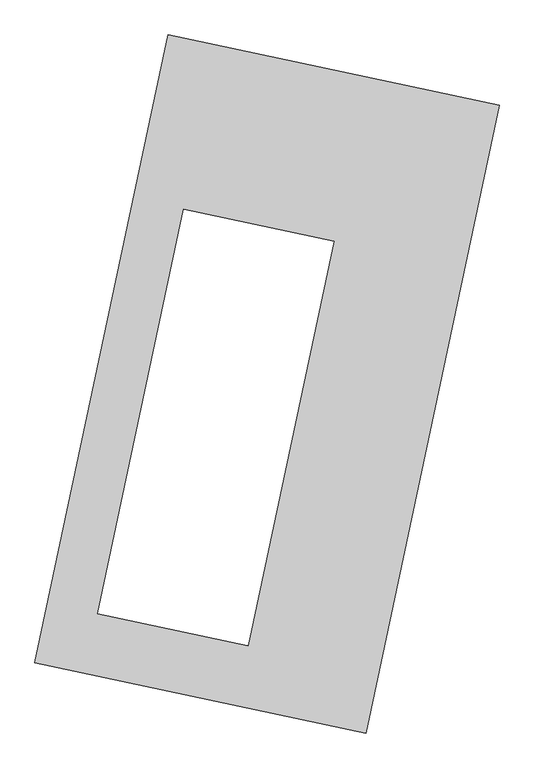
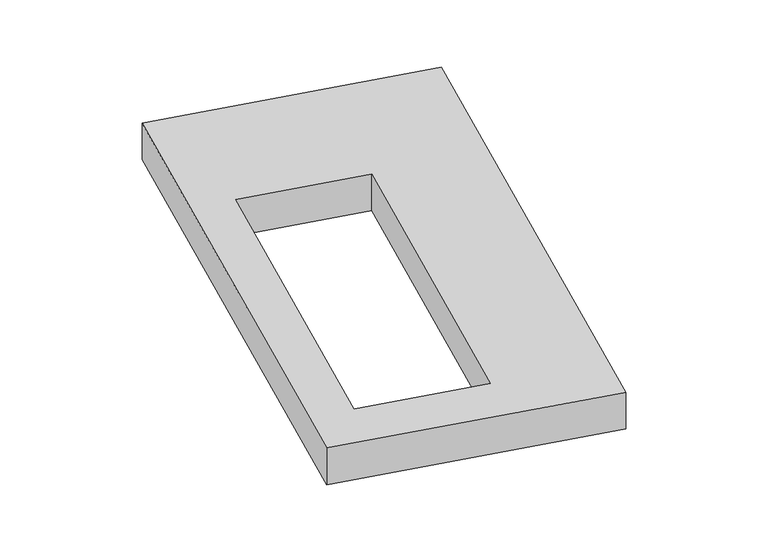
"""IFC4 building model written with IfcOpenShell, lengths in millimetres: proxy geometry."""

from ifc_helpers import new_model, si_unit, origin, origin_with_axes, place, context, project, spatial, polyline, outline, extrude, source, transform, mapped, element, save


def generic_models_2fdab60e(model_context):
    return source(origin(), model_context, "Body", "SweptSolid", [
        extrude(outline(polyline([(-617.3692021, 2175.5580432), (1447.7508745, 1737.3010494), (617.3692021, -2175.5580432), (-1447.7508745, -1737.3010494), (-617.3692021, 2175.5580432)]), holes=[polyline([(416.9085038, 889.6394106), (-520.796312, 1088.6378602), (-1055.6554619, -1431.6832855), (-117.9506461, -1630.6817352), (416.9085038, 889.6394106)])]), origin_with_axes(), (0.0, 0.0, 1.0), 300.0),
    ])


if __name__ == "__main__":
    model = new_model("IFC4")
    model_context = context("Model", 3, world=origin())
    ifc_project = project(units=[si_unit("LENGTHUNIT", "METRE", prefix="MILLI")], contexts=[model_context])
    site = spatial("IfcSite", under=ifc_project)
    building = spatial("IfcBuilding", under=site)
    placement = place(None, origin())
    generic_models_shape = generic_models_2fdab60e(model_context)
    element("IfcBuildingElementProxy", 1, Name="Generic Models", at=placement, inside=building, context=model_context, shape_type="MappedRepresentation", body=[
        mapped(generic_models_shape, transform((0.0, 0.0, 0.0), x_axis=(1.0, 0.0, 0.0), y_axis=(0.0, 1.0, 0.0), z_axis=(0.0, 0.0, 1.0))),
    ])
    save(model, "model.ifc")
